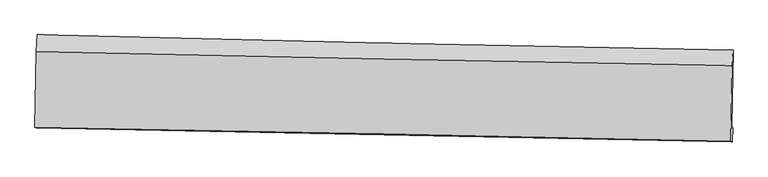
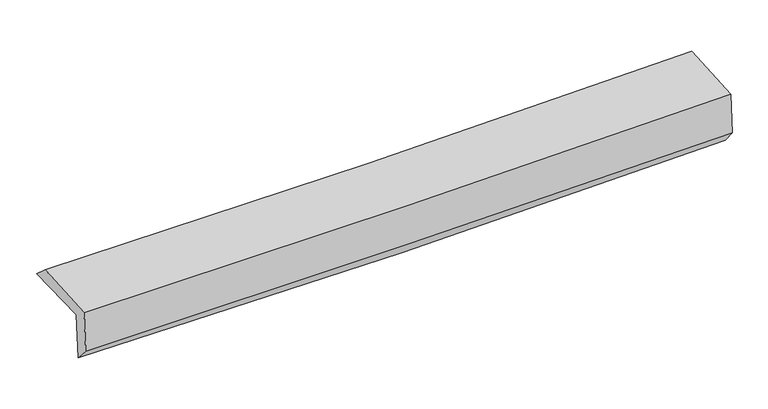
"""IFC4 building model written with IfcOpenShell, lengths in millimetres: proxy geometry."""

from ifc_helpers import new_model, si_unit, frame, origin, place, context, project, spatial, source, transform, mapped, element, save
from ifc_brep_helpers import plane_surface, spline_curve, spline_surface, advanced_brep


def generic_models_c1ae599a(model_context):
    return source(origin(), model_context, "Body", "AdvancedBrep", [
        advanced_brep(
        [(-3039.1088063, -1740.9389365, 1989.2587755), (-3025.7146862, -1068.8877766, 1989.2249291), (3026.6421018, -1202.6231255, 2110.7067198), (3013.5390118, -1867.2772333, 2105.7810094), (-3026.7206142, -1744.6315654, 1558.9105554), (3025.2521446, -1875.7961574, 1695.4234128), (-3033.8623036, -1882.2378681, 1710.8358709), (3018.144588, -2003.5805072, 1852.9295536), (-3044.7332415, -1874.6722422, 2091.4535075), (3007.2738327, -1996.0150084, 2233.5407965), (-3032.3670118, -1214.2472719, 2118.9150145), (3019.6503097, -1335.0427755, 2261.0250596)],
        [
            (0, 1),
            (1, 2, spline_curve(3, [(-3025.7146862, -1068.8877766, 1989.2249291), (-2015.985109627, -1093.612475079, 1970.08505363), (-1006.713068172, -1117.120307058, 1970.641212985), (1010.739034013, -1161.698329913, 2011.142050713), (2018.919255452, -1182.768947513, 2051.079821509), (3026.6421018, -1202.6231255, 2110.7067198)], [4, 2, 4], [0.0, 9.935531170080461, 19.86932000752232])),
            (2, 3),
            (3, 0, spline_curve(3, [(3013.5390118, -1867.2772333, 2105.7810094), (2005.507350447, -1849.66851477, 2055.273213699), (997.148459591, -1830.337038615, 2020.308617989), (-1020.400698261, -1788.224877187, 1981.462420404), (-2029.591080422, -1765.443588133, 1977.586271386), (-3039.1088063, -1740.9389365, 1989.2587755)], [4, 2, 4], [0.0, 9.933788837441858, 19.86932000752232])),
            (4, 0),
            (3, 5),
            (5, 4, spline_curve(3, [(3025.2521446, -1875.7961574, 1695.4234128), (2017.172942899, -1855.659584634, 1648.297034994), (1008.846525158, -1834.66194963, 1613.357703468), (-1008.477641098, -1790.940720873, 1567.849141905), (-2017.475476161, -1768.216825457, 1557.284187838), (-3026.7206142, -1744.6315654, 1558.9105554)], [4, 2, 4], [0.0, 9.932979338231458, 19.86770086711975])),
            (6, 4),
            (5, 7),
            (7, 6, spline_curve(3, [(3018.144588, -2003.5805072, 1852.9295536), (2009.785224007, -1981.60843609, 1816.741344721), (1001.315869075, -1960.511323798, 1786.806589732), (-1016.019723018, -1920.063470546, 1739.439835297), (-2024.885998175, -1900.713036357, 1722.010029066), (-3033.8623036, -1882.2378681, 1710.8358709)], [4, 2, 4], [0.0, 9.932201945832032, 19.866145945970494])),
            (8, 6),
            (7, 9),
            (9, 8, spline_curve(3, [(3007.2738327, -1996.0150084, 2233.5407965), (1999.009785276, -1974.109272624, 2194.015327624), (990.588077419, -1953.045320613, 2162.412329111), (-1026.747558565, -1912.597436529, 2115.047120053), (-2035.661542007, -1893.213799858, 2099.287688791), (-3044.7332415, -1874.6722422, 2091.4535075)], [4, 2, 4], [0.0, 9.93194024478371, 19.865622497972907])),
            (10, 8),
            (9, 11),
            (11, 10, spline_curve(3, [(3019.6503097, -1335.0427755, 2261.0250596), (2011.258932123, -1319.937185362, 2221.216829752), (1002.772699571, -1302.319201177, 2189.470542657), (-1014.566374419, -1262.054914864, 2142.097699437), (-2023.419249001, -1239.40773085, 2126.473971692), (-3032.3670118, -1214.2472719, 2118.9150145)], [4, 2, 4], [0.0, 9.932006148582591, 19.865754317129838])),
            (1, 10),
            (11, 2),
        ],
        [
            spline_surface(3, 3, [[(-3039.1088063, -1740.9389365, 1989.2587755), (-2029.591080309, -1765.443588083, 1977.586271453), (-1020.400698278, -1788.224877286, 1981.462420458), (997.148459608, -1830.337038515, 2020.308617935), (2005.507350307, -1849.668514899, 2055.273213604), (3013.5390118, -1867.2772333, 2105.7810094)], [(-3034.644099603, -1516.921883218, 1989.247493363), (-2025.055756717, -1541.49988372, 1975.08586549), (-1015.838154921, -1564.523353872, 1977.855351346), (1001.678651073, -1607.457468982, 2017.253095514), (2009.977985333, -1627.368659089, 2053.875416198), (3017.906708477, -1645.725864035, 2107.422912862)], [(-3030.179392897, -1292.904829882, 1989.236211237), (-2020.520433117, -1317.556179303, 1972.585459537), (-1011.275611541, -1340.821830464, 1974.248282185), (1006.20884256, -1384.577899455, 2014.197573044), (2014.448620328, -1405.068803274, 2052.477618806), (3022.274405123, -1424.174494765, 2109.064816338)], [(-3025.7146862, -1068.8877766, 1989.2249291), (-2015.985109525, -1093.612474939, 1970.085053575), (-1006.713068184, -1117.120307049, 1970.641213074), (1010.739034025, -1161.698329922, 2011.142050624), (2018.919255354, -1182.768947465, 2051.079821401), (3026.6421018, -1202.6231255, 2110.7067198)]], [4, 4], [4, 2, 4], [0.0, 2.1984423398222614], [0.0, 9.935531170080461, 19.86932000752232]),
            spline_surface(3, 3, [[(-3026.7206142, -1744.6315654, 1558.9105554), (-2017.475476249, -1768.216825358, 1557.284187812), (-1008.477641072, -1790.940720955, 1567.849142064), (1008.846525131, -1834.661949548, 1613.357703308), (2017.17294289, -1855.659584609, 1648.297034885), (3025.2521446, -1875.7961574, 1695.4234128)], [(-3030.850011574, -1743.400689099, 1702.359962096), (-2021.514010943, -1767.292412932, 1697.384882355), (-1012.451993475, -1790.035439762, 1705.720234865), (1004.947169957, -1833.220312567, 1749.008008187), (2013.284412009, -1853.662561375, 1783.955761115), (3021.34776698, -1872.956516035, 1832.209278323)], [(-3034.979408926, -1742.169812801, 1845.809368804), (-2025.552545616, -1766.368000509, 1837.48557691), (-1016.426345876, -1789.130158479, 1843.591327657), (1001.047814783, -1831.778675496, 1884.658313057), (2009.395881188, -1851.665538134, 1919.614487374), (3017.44338942, -1870.116874665, 1968.995143877)], [(-3039.1088063, -1740.9389365, 1989.2587755), (-2029.591080309, -1765.443588083, 1977.586271453), (-1020.400698278, -1788.224877286, 1981.462420458), (997.148459608, -1830.337038515, 2020.308617935), (2005.507350307, -1849.668514899, 2055.273213604), (3013.5390118, -1867.2772333, 2105.7810094)]], [4, 4], [4, 2, 4], [0.0, 1.3466789149682046], [0.0, 9.934721528888293, 19.86770086711975]),
            spline_surface(3, 3, [[(-3033.8623036, -1882.2378681, 1710.8358709), (-2024.885998327, -1900.713036333, 1722.010029036), (-1016.019722952, -1920.063470507, 1739.439835136), (1001.315869009, -1960.511323837, 1786.806589893), (2009.785224138, -1981.608436008, 1816.741344652), (3018.144588, -2003.5805072, 1852.9295536)], [(-3031.481740436, -1836.36910053, 1660.194099087), (-2022.415824271, -1856.547632672, 1667.101415315), (-1013.505695679, -1877.022553991, 1682.242937423), (1003.826087696, -1918.561532409, 1728.990294342), (2012.24779707, -1939.625485532, 1760.593241382), (3020.513773548, -1960.985723923, 1800.427506652)], [(-3029.101177364, -1790.50033297, 1609.552327213), (-2019.945650305, -1812.382229019, 1612.192801533), (-1010.991668344, -1833.98163747, 1625.046039777), (1006.336306445, -1876.611740976, 1671.173998859), (2014.710369959, -1897.642535086, 1704.445138155), (3022.882959052, -1918.390940677, 1747.925459748)], [(-3026.7206142, -1744.6315654, 1558.9105554), (-2017.475476249, -1768.216825358, 1557.284187812), (-1008.477641072, -1790.940720955, 1567.849142064), (1008.846525131, -1834.661949548, 1613.357703308), (2017.17294289, -1855.659584609, 1648.297034885), (3025.2521446, -1875.7961574, 1695.4234128)]], [4, 4], [4, 2, 4], [0.0, 0.7042167326493374], [0.0, 9.933944000138462, 19.866145945970494]),
            spline_surface(3, 3, [[(-3044.7332415, -1874.6722422, 2091.4535075), (-2035.661542118, -1893.213799934, 2099.287688835), (-1026.747558627, -1912.597436543, 2115.047120064), (990.588077481, -1953.045320598, 2162.4123291), (1999.009785353, -1974.109272707, 2194.015327519), (3007.2738327, -1996.0150084, 2233.5407965)], [(-3041.109595541, -1877.194117485, 1964.580961962), (-2032.069694195, -1895.713545385, 1973.528468897), (-1023.171613402, -1915.086114517, 1989.844691748), (994.164007991, -1955.533988331, 2037.210416024), (2002.601598269, -1976.608993796, 2068.257333237), (3010.897417788, -1998.536841322, 2106.670382206)], [(-3037.485949559, -1879.715992815, 1837.708416438), (-2028.47784625, -1898.213290881, 1847.769248974), (-1019.595668177, -1917.574792532, 1864.642263452), (997.7399385, -1958.022656105, 1912.008502969), (2006.193411222, -1979.108714919, 1942.499338935), (3014.521002912, -2001.058674278, 1979.799967894)], [(-3033.8623036, -1882.2378681, 1710.8358709), (-2024.885998327, -1900.713036333, 1722.010029036), (-1016.019722952, -1920.063470507, 1739.439835136), (1001.315869009, -1960.511323837, 1786.806589893), (2009.785224138, -1981.608436008, 1816.741344652), (3018.144588, -2003.5805072, 1852.9295536)]], [4, 4], [4, 2, 4], [0.0, 1.233050674424045], [0.0, 9.933682253189197, 19.865622497972907]),
            spline_surface(3, 3, [[(-3032.3670118, -1214.2472719, 2118.9150145), (-2023.41924906, -1239.407730914, 2126.473971529), (-1014.566374379, -1262.054914791, 2142.097699391), (1002.772699531, -1302.31920125, 2189.470542704), (2011.258931976, -1319.937185259, 2221.216829896), (3019.6503097, -1335.0427755, 2261.0250596)], [(-3036.489088362, -1434.388928657, 2109.761178817), (-2027.500013408, -1457.343087244, 2117.411877281), (-1018.626769128, -1478.902422048, 2133.080839615), (998.711158848, -1519.227907706, 2180.451138169), (2007.175883105, -1537.994547749, 2212.149662441), (3015.52481737, -1555.36685314, 2251.86363857)], [(-3040.611164938, -1654.530585443, 2100.607343183), (-2031.58077777, -1675.278443604, 2108.349783083), (-1022.687163879, -1695.749929286, 2124.063979839), (994.649618164, -1736.136614142, 2171.431733634), (2003.092834223, -1756.051910218, 2203.082494975), (3011.39932503, -1775.69093076, 2242.70221753)], [(-3044.7332415, -1874.6722422, 2091.4535075), (-2035.661542118, -1893.213799934, 2099.287688835), (-1026.747558627, -1912.597436543, 2115.047120064), (990.588077481, -1953.045320598, 2162.4123291), (1999.009785353, -1974.109272707, 2194.015327519), (3007.2738327, -1996.0150084, 2233.5407965)]], [4, 4], [4, 2, 4], [0.0, 2.136845458080348], [0.0, 9.933748168547247, 19.865754317129838]),
            spline_surface(3, 3, [[(-3025.7146862, -1068.8877766, 1989.2249291), (-2015.985109525, -1093.612474939, 1970.085053575), (-1006.713068184, -1117.120307049, 1970.641213074), (1010.739034025, -1161.698329922, 2011.142050624), (2018.919255354, -1182.768947465, 2051.079821401), (3026.6421018, -1202.6231255, 2110.7067198)], [(-3027.932128085, -1117.34094171, 2032.454957575), (-2018.463156055, -1142.210893608, 2022.214692901), (-1009.330836887, -1165.43184294, 2027.79337519), (1008.083589222, -1208.571953675, 2070.584881327), (2016.365814232, -1228.491693407, 2107.792157585), (3024.311504437, -1246.763008844, 2160.812833086)], [(-3030.149569915, -1165.79410679, 2075.684986025), (-2020.94120253, -1190.809312246, 2074.344332202), (-1011.948605676, -1213.7433789, 2084.945537275), (1005.428144334, -1255.445577497, 2130.027712), (2013.812373098, -1274.214439317, 2164.504493712), (3021.980907063, -1290.902892156, 2210.918946314)], [(-3032.3670118, -1214.2472719, 2118.9150145), (-2023.41924906, -1239.407730914, 2126.473971529), (-1014.566374379, -1262.054914791, 2142.097699391), (1002.772699531, -1302.31920125, 2189.470542704), (2011.258931976, -1319.937185259, 2221.216829896), (3019.6503097, -1335.0427755, 2261.0250596)]], [4, 4], [4, 2, 4], [0.0, 0.7411745392932352], [0.0, 9.934679477525014, 19.86761677176748]),
            plane_surface(frame((3018.4169981, -1713.3891345, 2043.2344253), z_axis=(0.9993827278693398, -0.019916449183269243, 0.02893956268445841), x_axis=(0.028544032779235454, -0.019865210789111163, -0.9993951228583229))),
            plane_surface(frame((-3033.7511106, -1587.6026101, 1909.7664422), z_axis=(-0.999382727869329, 0.01991644918401945, -0.028939562684313403), x_axis=(-0.019926251907563145, -0.9998014512639534, 5.035284742702893e-05))),
        ],
        [
            (0, [[1, 2, 3, 4]]),
            (1, [[5, -4, 6, 7]]),
            (2, [[8, -7, 9, 10]]),
            (3, [[11, -10, 12, 13]]),
            (4, [[14, -13, 15, 16]]),
            (5, [[17, -16, 18, -2]]),
            (6, [[-12, -9, -6, -3, -18, -15]]),
            (7, [[-1, -5, -8, -11, -14, -17]]),
        ],
    ),
    ])


if __name__ == "__main__":
    model = new_model("IFC4")
    model_context = context("Model", 3, world=origin())
    ifc_project = project(units=[si_unit("LENGTHUNIT", "METRE", prefix="MILLI")], contexts=[model_context])
    site = spatial("IfcSite", under=ifc_project)
    building = spatial("IfcBuilding", under=site)
    placement = place(None, origin())
    generic_models_shape = generic_models_c1ae599a(model_context)
    element("IfcBuildingElementProxy", 1, Name="Generic Models", at=placement, inside=building, context=model_context, shape_type="MappedRepresentation", body=[
        mapped(generic_models_shape, transform((0.0, 0.0, 0.0), x_axis=(1.0, 0.0, 0.0), y_axis=(0.0, 1.0, 0.0), z_axis=(0.0, 0.0, 1.0))),
    ])
    save(model, "model.ifc")
